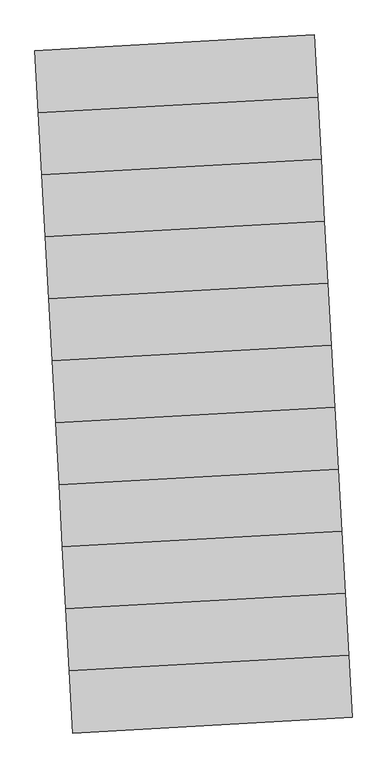
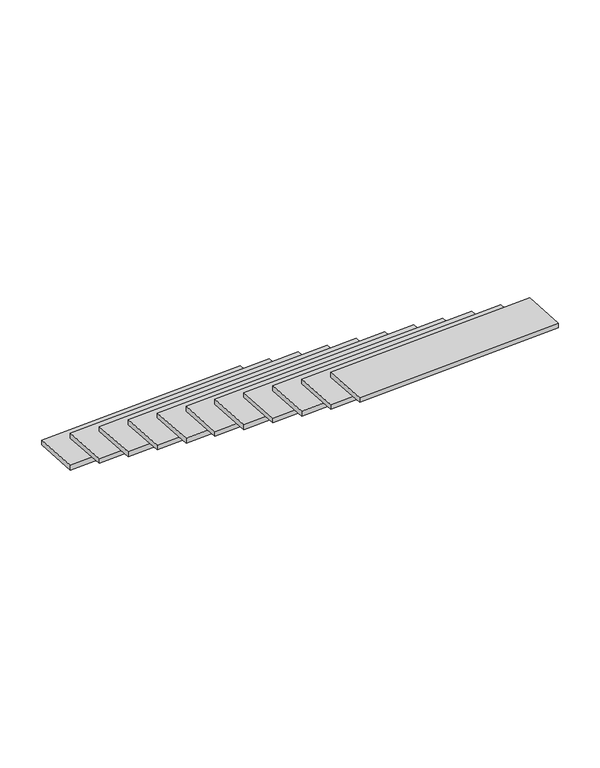
"""IFC4 building model written with IfcOpenShell, lengths in millimetres: stair flight geometry."""

from ifc_helpers import new_model, si_unit, frame, origin, place, context, project, spatial, polyline, outline, extrude, source, transform, mapped, element, save


def stair_flight_02523537(model_context):
    return source(origin(), model_context, "Body", "SweptSolid", [
        extrude(outline(polyline([(-109232.5837872, 124334.3623124), (-110454.5274888, 124266.465251), (-110469.6178379, 124538.0463279), (-109247.6741363, 124605.9433893), (-109232.5837872, 124334.3623124)])), frame((0.0, 0.0, -9173.831228), z_axis=(0.0, 0.0, 1.0), x_axis=(1.0, 0.0, 0.0)), (0.0, 0.0, 1.0), 30.0),
        extrude(outline(polyline([(-109217.4934381, 124062.7812354), (-110439.4371397, 123994.884174), (-110454.5274888, 124266.465251), (-109232.5837872, 124334.3623124), (-109217.4934381, 124062.7812354)])), frame((0.0, 0.0, -8971.8465709), z_axis=(0.0, 0.0, 1.0), x_axis=(1.0, 0.0, 0.0)), (0.0, 0.0, 1.0), 30.0),
        extrude(outline(polyline([(-109202.403089, 123791.2001584), (-110424.3467906, 123723.3030971), (-110439.4371397, 123994.884174), (-109217.4934381, 124062.7812354), (-109202.403089, 123791.2001584)])), frame((0.0, 0.0, -8769.8619138), z_axis=(0.0, 0.0, 1.0), x_axis=(1.0, 0.0, 0.0)), (0.0, 0.0, 1.0), 30.0),
        extrude(outline(polyline([(-109187.3127399, 123519.6190815), (-110409.2564414, 123451.7220201), (-110424.3467906, 123723.3030971), (-109202.403089, 123791.2001584), (-109187.3127399, 123519.6190815)])), frame((0.0, 0.0, -8567.8772568), z_axis=(0.0, 0.0, 1.0), x_axis=(1.0, 0.0, 0.0)), (0.0, 0.0, 1.0), 30.0),
        extrude(outline(polyline([(-109172.2223908, 123248.0380045), (-110394.1660923, 123180.1409431), (-110409.2564414, 123451.7220201), (-109187.3127399, 123519.6190815), (-109172.2223908, 123248.0380045)])), frame((0.0, 0.0, -8365.8925997), z_axis=(0.0, 0.0, 1.0), x_axis=(1.0, 0.0, 0.0)), (0.0, 0.0, 1.0), 30.0),
        extrude(outline(polyline([(-109157.1320417, 122976.4569276), (-110379.0757432, 122908.5598662), (-110394.1660923, 123180.1409431), (-109172.2223908, 123248.0380045), (-109157.1320417, 122976.4569276)])), frame((0.0, 0.0, -8163.9079426), z_axis=(0.0, 0.0, 1.0), x_axis=(1.0, 0.0, 0.0)), (0.0, 0.0, 1.0), 30.0),
        extrude(outline(polyline([(-109142.0416926, 122704.8758506), (-110363.9853941, 122636.9787892), (-110379.0757432, 122908.5598662), (-109157.1320417, 122976.4569276), (-109142.0416926, 122704.8758506)])), frame((0.0, 0.0, -7961.9232855), z_axis=(0.0, 0.0, 1.0), x_axis=(1.0, 0.0, 0.0)), (0.0, 0.0, 1.0), 30.0),
        extrude(outline(polyline([(-109126.9513434, 122433.2947736), (-110348.895045, 122365.3977123), (-110363.9853941, 122636.9787892), (-109142.0416926, 122704.8758506), (-109126.9513434, 122433.2947736)])), frame((0.0, 0.0, -7759.9386284), z_axis=(0.0, 0.0, 1.0), x_axis=(1.0, 0.0, 0.0)), (0.0, 0.0, 1.0), 30.0),
        extrude(outline(polyline([(-109111.8609943, 122161.7136967), (-110333.8046959, 122093.8166353), (-110348.895045, 122365.3977123), (-109126.9513434, 122433.2947736), (-109111.8609943, 122161.7136967)])), frame((0.0, 0.0, -7557.9539713), z_axis=(0.0, 0.0, 1.0), x_axis=(1.0, 0.0, 0.0)), (0.0, 0.0, 1.0), 30.0),
        extrude(outline(polyline([(-109096.7706452, 121890.1326197), (-110318.7143468, 121822.2355583), (-110333.8046959, 122093.8166353), (-109111.8609943, 122161.7136967), (-109096.7706452, 121890.1326197)])), frame((0.0, 0.0, -7355.9693142), z_axis=(0.0, 0.0, 1.0), x_axis=(1.0, 0.0, 0.0)), (0.0, 0.0, 1.0), 30.0),
        extrude(outline(polyline([(-109081.6802961, 121618.5515427), (-110303.6239977, 121550.6544814), (-110318.7143468, 121822.2355583), (-109096.7706452, 121890.1326197), (-109081.6802961, 121618.5515427)])), frame((0.0, 0.0, -7153.9846571), z_axis=(0.0, 0.0, 1.0), x_axis=(1.0, 0.0, 0.0)), (0.0, 0.0, 1.0), 30.0),
    ])


if __name__ == "__main__":
    model = new_model("IFC4")
    model_context = context("Model", 3, world=origin())
    ifc_project = project(units=[si_unit("LENGTHUNIT", "METRE", prefix="MILLI")], contexts=[model_context])
    site = spatial("IfcSite", under=ifc_project)
    building = spatial("IfcBuilding", under=site)
    placement = place(None, origin())
    stair_flight_shape = stair_flight_02523537(model_context)
    element("IfcStairFlight", 1, at=placement, inside=building, context=model_context, shape_type="MappedRepresentation", body=[
        mapped(stair_flight_shape, transform((0.0, 0.0, 0.0), x_axis=(1.0, 0.0, 0.0), y_axis=(0.0, 1.0, 0.0), z_axis=(0.0, 0.0, 1.0))),
    ])
    save(model, "model.ifc")
